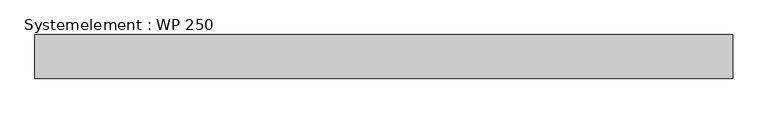
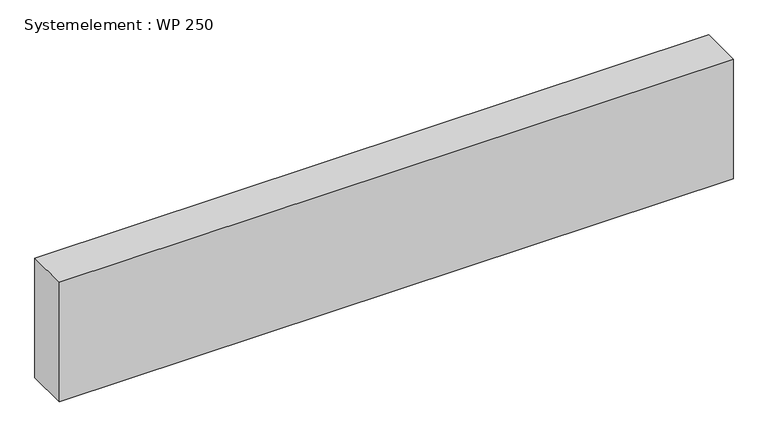
"""IFC4 building model written with IfcOpenShell, lengths in millimetres: plate geometry, Systemelement : WP 250."""

from ifc_helpers import new_model, si_unit, origin, origin_with_axes, place, context, project, spatial, polyline, outline, extrude, source, transform, mapped, element, save


def systemelement_wp_250_1b0dfab8(model_context):
    return source(origin(), model_context, "Body", "SweptSolid", [
        extrude(outline(polyline([(2000.0, -250.0), (-2000.0, -250.0), (-2000.0, 0.0), (2000.0, 0.0), (2000.0, -250.0)])), origin_with_axes(), (0.0, 0.0, 1.0), 751.6147161),
    ])


if __name__ == "__main__":
    model = new_model("IFC4")
    model_context = context("Model", 3, world=origin())
    ifc_project = project(units=[si_unit("LENGTHUNIT", "METRE", prefix="MILLI")], contexts=[model_context])
    site = spatial("IfcSite", under=ifc_project)
    building = spatial("IfcBuilding", under=site)
    placement = place(None, origin())
    systemelement_wp_250_shape = systemelement_wp_250_1b0dfab8(model_context)
    element("IfcPlate", 1, ObjectType="Systemelement : WP 250", at=placement, inside=building, context=model_context, shape_type="MappedRepresentation", body=[
        mapped(systemelement_wp_250_shape, transform((0.0, 0.0, 0.0), x_axis=(1.0, 0.0, 0.0), y_axis=(0.0, 1.0, 0.0), z_axis=(0.0, 0.0, 1.0))),
    ])
    save(model, "model.ifc")
